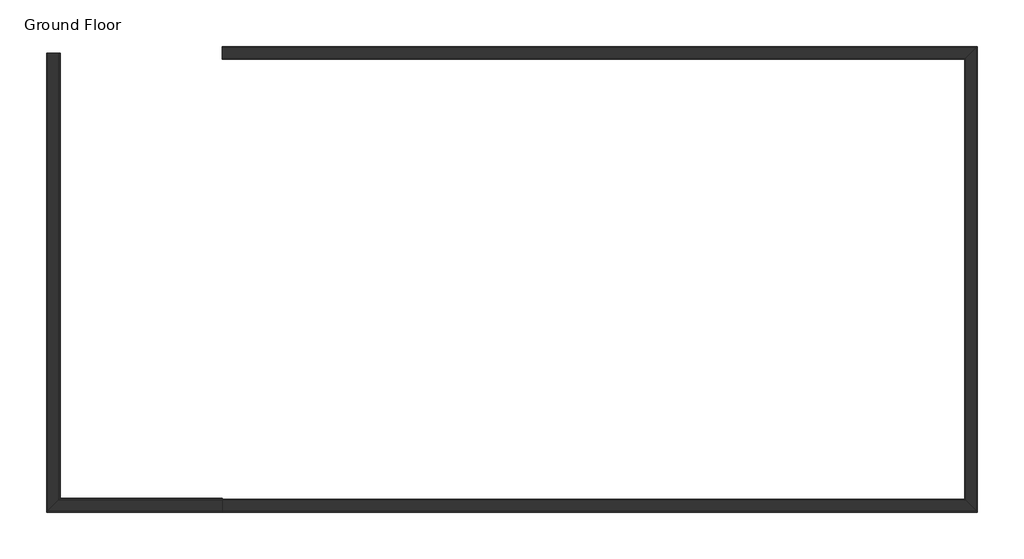
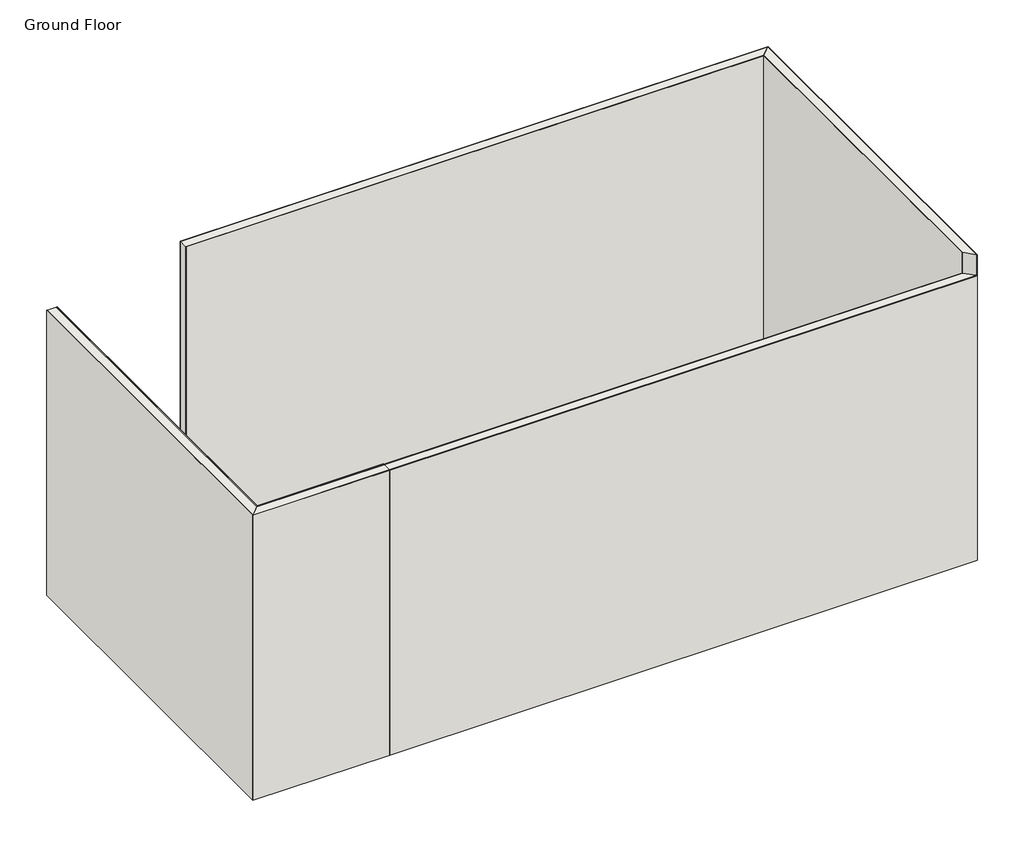
# One storey: 5 walls.
"""IFC4 building model written with IfcOpenShell, lengths in millimetres."""

from ifc_helpers import new_model, si_unit, origin, origin_with_axes, place, context, project, spatial, polyline, outline, extrude, faceted_brep, element, save

model = new_model("IFC4")

# Units and contexts
model_context = context("Model", 3, world=origin())
ifc_project = project(units=[si_unit("LENGTHUNIT", "METRE", prefix="MILLI")], contexts=[model_context])

# Site, building, storey
site = spatial("IfcSite", under=ifc_project)
building = spatial("IfcBuilding", under=site)
storey = spatial("IfcBuildingStorey", under=building, Name="Ground Floor", Elevation=0.0)

# Walls
placement = place(None, origin())
element("IfcWall", 1, at=placement, inside=storey, context=model_context, shape_type="SolidModel", body=[
    extrude(outline(polyline([(-9003.0666232, 1136.1785483), (-8997.0666232, 1136.1785483), (-8997.0666232, -1741.0214517), (-9003.0666232, -1747.0214517), (-9003.0666232, 1136.1785483)])), origin_with_axes(), (0.0, 0.0, 1.0), 2405.0),
    extrude(outline(polyline([(-8993.4666232, 1136.1785483), (-8993.4666232, -1737.4214517), (-8997.0666232, -1741.0214517), (-8997.0666232, 1136.1785483), (-8993.4666232, 1136.1785483)])), origin_with_axes(), (0.0, 0.0, 1.0), 2405.0),
    faceted_brep([(-9079.0666232, -1823.0214517, 0.0), (-9079.0666232, -1823.0214517, -92.0), (-9079.0666232, 1136.1785483, -92.0), (-9079.0666232, 1136.1785483, 0.0), (-9079.0666232, 1136.1785483, 2405.0), (-9079.0666232, -1823.0214517, 2405.0), (-9083.0666232, 1136.1785483, -92.0), (-9083.0666232, 1136.1785483, 0.0), (-9083.0666232, 1136.1785483, 2405.0), (-9083.0666232, -1827.0214517, 2405.0), (-9083.0666232, -1827.0214517, 0.0), (-9083.0666232, -1827.0214517, -92.0)], [[[0, 1, 2, 3, 4, 5]], [[3, 2, 6, 7, 8, 4]], [[1, 0, 5, 9, 10, 11]], [[2, 1, 11, 6]], [[7, 6, 11, 10, 9, 8]], [[5, 4, 8, 9]]]),
    extrude(outline(polyline([(-9079.0666232, 1136.1785483), (-9003.0666232, 1136.1785483), (-9003.0666232, -1747.0214517), (-9079.0666232, -1823.0214517), (-9079.0666232, 1136.1785483)])), origin_with_axes(), (0.0, 0.0, 1.0), 2405.0),
])
element("IfcWall", 2, at=placement, inside=storey, context=model_context, shape_type="SolidModel", body=[
    faceted_brep([(-7948.8666232, -1747.0214517, 0.0), (-7948.8666232, -1743.4214517, 0.0), (-7948.8666232, -1741.0214517, 0.0), (-7948.8666232, -1741.0214517, 2405.0), (-7948.8666232, -1743.4214517, 2405.0), (-7948.8666232, -1747.0214517, 2405.0), (-8997.0666232, -1741.0214517, 2405.0), (-9003.0666232, -1747.0214517, 2405.0), (-9003.0666232, -1747.0214517, 0.0), (-8997.0666232, -1741.0214517, 0.0)], [[[0, 1, 2, 3, 4, 5]], [[5, 4, 3, 6, 7]], [[1, 0, 8, 9, 2]], [[7, 6, 9, 8]], [[3, 2, 9, 6]], [[0, 5, 7, 8]]]),
    extrude(outline(polyline([(-8993.4666232, -1737.4214517), (-7948.8666232, -1737.4214517), (-7948.8666232, -1741.0214517), (-8997.0666232, -1741.0214517), (-8993.4666232, -1737.4214517)])), origin_with_axes(), (0.0, 0.0, 1.0), 2405.0),
    faceted_brep([(-7948.8666232, -1827.0214517, 0.0), (-7948.8666232, -1827.0214517, -92.0), (-7948.8666232, -1823.0214517, -92.0), (-7948.8666232, -1823.0214517, 0.0), (-7948.8666232, -1823.0214517, 2405.0), (-7948.8666232, -1827.0214517, 2405.0), (-9083.0666232, -1827.0214517, -92.0), (-9083.0666232, -1827.0214517, 0.0), (-9083.0666232, -1827.0214517, 2405.0), (-9079.0666232, -1823.0214517, 2405.0), (-9079.0666232, -1823.0214517, 0.0), (-9079.0666232, -1823.0214517, -92.0)], [[[0, 1, 2, 3, 4, 5]], [[6, 7, 8, 9, 10, 11]], [[2, 1, 6, 11]], [[1, 0, 5, 8, 7, 6]], [[8, 5, 4, 9]], [[3, 2, 11, 10, 9, 4]]]),
    extrude(outline(polyline([(-7948.8666232, -1747.0214517), (-7948.8666232, -1823.0214517), (-9079.0666232, -1823.0214517), (-9003.0666232, -1747.0214517), (-7948.8666232, -1747.0214517)])), origin_with_axes(), (0.0, 0.0, 1.0), 2405.0),
])
element("IfcWall", 3, ObjectType="MESA/STUD/PLY (TBC)", at=placement, inside=storey, context=model_context, shape_type="SolidModel", body=[
    extrude(outline(polyline([(-3158.6666232, 1097.3785483), (-7948.8666232, 1097.3785483), (-7948.8666232, 1100.9785483), (-3155.0666232, 1100.9785483), (-3158.6666232, 1097.3785483)])), origin_with_axes(), (0.0, 0.0, 1.0), 2588.1),
    faceted_brep([(-3075.0666232, 1180.9785483, -92.0), (-3075.0666232, 1180.9785483, 0.0), (-3075.0666232, 1180.9785483, 2588.1), (-3079.0666232, 1176.9785483, 2588.1), (-3079.0666232, 1176.9785483, 0.0), (-3079.0666232, 1176.9785483, -92.0), (-7948.8666232, 1176.9785483, -92.0), (-7948.8666232, 1180.9785483, -92.0), (-7948.8666232, 1180.9785483, 0.0), (-7948.8666232, 1180.9785483, 2588.1), (-7948.8666232, 1176.9785483, 0.0), (-7948.8666232, 1176.9785483, 2588.1)], [[[0, 1, 2, 3, 4, 5]], [[0, 5, 6, 7]], [[1, 0, 7, 8, 9, 2]], [[8, 7, 6, 10, 11, 9]], [[2, 9, 11, 3]], [[5, 4, 3, 11, 10, 6]]]),
    extrude(outline(polyline([(-7948.8666232, 1100.9785483), (-7948.8666232, 1176.9785483), (-3079.0666232, 1176.9785483), (-3155.0666232, 1100.9785483), (-7948.8666232, 1100.9785483)])), origin_with_axes(), (0.0, 0.0, 1.0), 2588.1),
])
element("IfcWall", 4, ObjectType="MESA/STUD/PLY (TBC)", at=placement, inside=storey, context=model_context, shape_type="SolidModel", body=[
    extrude(outline(polyline([(-7948.8666232, -1743.4214517), (-3158.6666232, -1743.4214517), (-3155.0666232, -1747.0214517), (-7948.8666232, -1747.0214517), (-7948.8666232, -1743.4214517)])), origin_with_axes(), (0.0, 0.0, 1.0), 2405.0),
    faceted_brep([(-3079.0666232, -1823.0214517, 0.0), (-3079.0666232, -1823.0214517, -92.0), (-7948.8666232, -1823.0214517, -92.0), (-7948.8666232, -1823.0214517, 0.0), (-7948.8666232, -1823.0214517, 2405.0), (-3079.0666232, -1823.0214517, 2405.0), (-7948.8666232, -1827.0214517, -92.0), (-7948.8666232, -1827.0214517, 0.0), (-7948.8666232, -1827.0214517, 2405.0), (-3075.0666232, -1827.0214517, 2405.0), (-3075.0666232, -1827.0214517, 0.0), (-3075.0666232, -1827.0214517, -92.0)], [[[0, 1, 2, 3, 4, 5]], [[3, 2, 6, 7, 8, 4]], [[1, 0, 5, 9, 10, 11]], [[2, 1, 11, 6]], [[7, 6, 11, 10, 9, 8]], [[5, 4, 8, 9]]]),
    extrude(outline(polyline([(-7948.8666232, -1823.0214517), (-7948.8666232, -1747.0214517), (-3155.0666232, -1747.0214517), (-3079.0666232, -1823.0214517), (-7948.8666232, -1823.0214517)])), origin_with_axes(), (0.0, 0.0, 1.0), 2405.0),
])
element("IfcWall", 5, ObjectType="MESA/STUD/PLY (TBC)", at=placement, inside=storey, context=model_context, shape_type="Brep", body=[
    faceted_brep([(-3158.6666232, 1097.3785483, 0.0), (-3158.6666232, 1097.3785483, 2405.0), (-3158.6666232, 1097.3785483, 2588.056611), (-3155.0666232, 1100.9785483, 2588.056611), (-3155.0666232, 1100.9785483, 2405.0), (-3155.0666232, 1100.9785483, 0.0), (-3158.6666232, -1743.4214517, 2405.0), (-3158.6666232, -1743.4214517, 0.0), (-3155.0666232, -1747.0214517, 0.0), (-3155.0666232, -1747.0214517, 2405.0), (-3155.0666232, -1747.0214517, 2588.056611), (-3158.6666232, -1743.4214517, 2588.056611)], [[[0, 1, 2, 3, 4, 5]], [[6, 7, 8, 9, 10, 11]], [[1, 0, 7, 6, 11, 2]], [[0, 5, 8, 7]], [[2, 11, 10, 3]], [[5, 4, 3, 10, 9, 8]]]),
    faceted_brep([(-3075.0666232, 1180.9785483, 0.0), (-3075.0666232, 1180.9785483, -92.0), (-3079.0666232, 1176.9785483, -92.0), (-3079.0666232, 1176.9785483, 0.0), (-3079.0666232, 1176.9785483, 2405.0), (-3079.0666232, 1176.9785483, 2588.056611), (-3075.0666232, 1180.9785483, 2588.056611), (-3075.0666232, 1180.9785483, 2405.0), (-3075.0666232, -1827.0214517, -92.0), (-3075.0666232, -1827.0214517, 0.0), (-3075.0666232, -1827.0214517, 2405.0), (-3075.0666232, -1827.0214517, 2588.056611), (-3079.0666232, -1823.0214517, 2588.056611), (-3079.0666232, -1823.0214517, 2405.0), (-3079.0666232, -1823.0214517, 0.0), (-3079.0666232, -1823.0214517, -92.0)], [[[0, 1, 2, 3, 4, 5, 6, 7]], [[8, 9, 10, 11, 12, 13, 14, 15]], [[2, 1, 8, 15]], [[1, 0, 7, 6, 11, 10, 9, 8]], [[11, 6, 5, 12]], [[3, 2, 15, 14, 13, 12, 5, 4]]]),
    faceted_brep([(-3079.0666232, 1176.9785483, 2405.0), (-3079.0666232, 1176.9785483, 0.0), (-3155.0666232, 1100.9785483, 0.0), (-3155.0666232, 1100.9785483, 2405.0), (-3155.0666232, 1100.9785483, 2588.056611), (-3079.0666232, 1176.9785483, 2588.056611), (-3155.0666232, -1747.0214517, 2405.0), (-3155.0666232, -1747.0214517, 0.0), (-3079.0666232, -1823.0214517, 0.0), (-3079.0666232, -1823.0214517, 2405.0), (-3079.0666232, -1823.0214517, 2588.056611), (-3155.0666232, -1747.0214517, 2588.056611)], [[[0, 1, 2, 3, 4, 5]], [[6, 7, 8, 9, 10, 11]], [[2, 1, 8, 7]], [[11, 10, 5, 4]], [[1, 0, 5, 10, 9, 8]], [[3, 2, 7, 6, 11, 4]]]),
])

save(model, "model.ifc")
